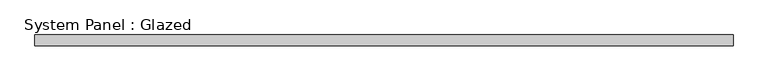
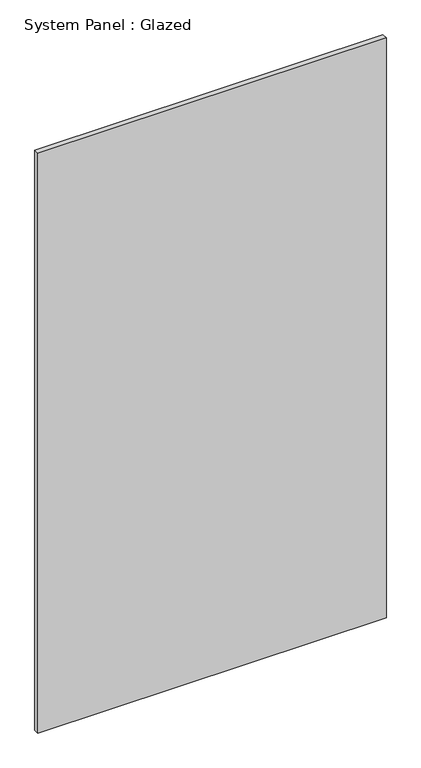
"""IFC4 building model written with IfcOpenShell, lengths in millimetres: plate geometry, System Panel : Glazed."""

from ifc_helpers import new_model, si_unit, origin, origin_with_axes, place, context, project, spatial, polyline, outline, extrude, source, transform, mapped, element, save


def system_panel_glazed_b878f6c9(model_context):
    return source(origin(), model_context, "Body", "SweptSolid", [
        extrude(outline(polyline([(828.258248, 19.05), (-828.258248, 19.05), (-828.258248, 44.45), (828.258248, 44.45), (828.258248, 19.05)])), origin_with_axes(), (0.0, 0.0, 1.0), 2913.0),
    ])


if __name__ == "__main__":
    model = new_model("IFC4")
    model_context = context("Model", 3, world=origin())
    ifc_project = project(units=[si_unit("LENGTHUNIT", "METRE", prefix="MILLI")], contexts=[model_context])
    site = spatial("IfcSite", under=ifc_project)
    building = spatial("IfcBuilding", under=site)
    placement = place(None, origin())
    system_panel_glazed_shape = system_panel_glazed_b878f6c9(model_context)
    element("IfcPlate", 1, ObjectType="System Panel : Glazed", at=placement, inside=building, context=model_context, shape_type="MappedRepresentation", body=[
        mapped(system_panel_glazed_shape, transform((0.0, 0.0, 0.0), x_axis=(1.0, 0.0, 0.0), y_axis=(0.0, 1.0, 0.0), z_axis=(0.0, 0.0, 1.0))),
    ])
    save(model, "model.ifc")
